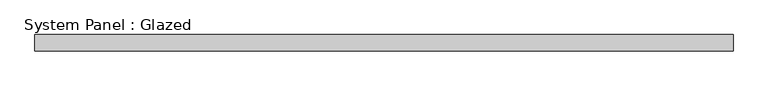
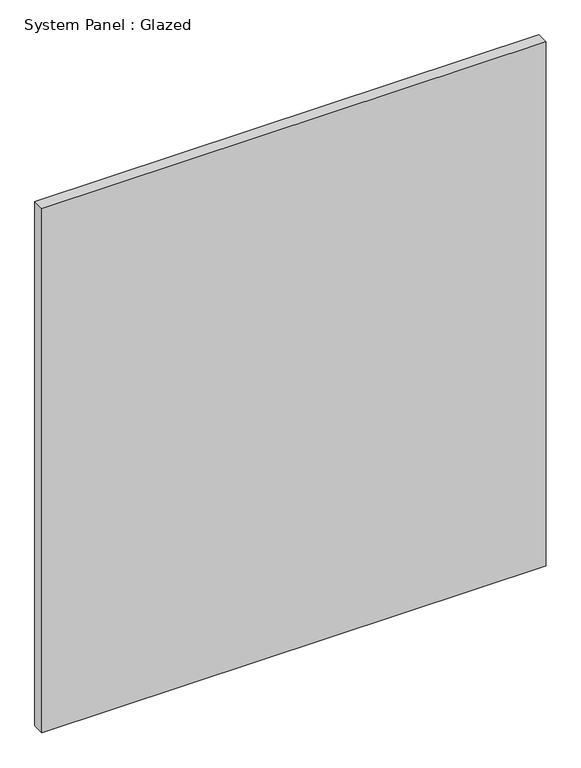
"""IFC4 building model written with IfcOpenShell, lengths in millimetres: plate geometry, System Panel : Glazed."""

from ifc_helpers import new_model, si_unit, origin, origin_with_axes, place, context, project, spatial, polyline, outline, extrude, source, transform, mapped, element, save


def system_panel_glazed_a408c94a(model_context):
    return source(origin(), model_context, "Body", "SweptSolid", [
        extrude(outline(polyline([(541.2088768, -12.7), (-541.2088768, -12.7), (-541.2088768, 12.7), (541.2088768, 12.7), (541.2088768, -12.7)])), origin_with_axes(), (0.0, 0.0, 1.0), 1189.6598),
    ])


if __name__ == "__main__":
    model = new_model("IFC4")
    model_context = context("Model", 3, world=origin())
    ifc_project = project(units=[si_unit("LENGTHUNIT", "METRE", prefix="MILLI")], contexts=[model_context])
    site = spatial("IfcSite", under=ifc_project)
    building = spatial("IfcBuilding", under=site)
    placement = place(None, origin())
    system_panel_glazed_shape = system_panel_glazed_a408c94a(model_context)
    element("IfcPlate", 1, ObjectType="System Panel : Glazed", at=placement, inside=building, context=model_context, shape_type="MappedRepresentation", body=[
        mapped(system_panel_glazed_shape, transform((0.0, 0.0, 0.0), x_axis=(1.0, 0.0, 0.0), y_axis=(0.0, 1.0, 0.0), z_axis=(0.0, 0.0, 1.0))),
    ])
    save(model, "model.ifc")
